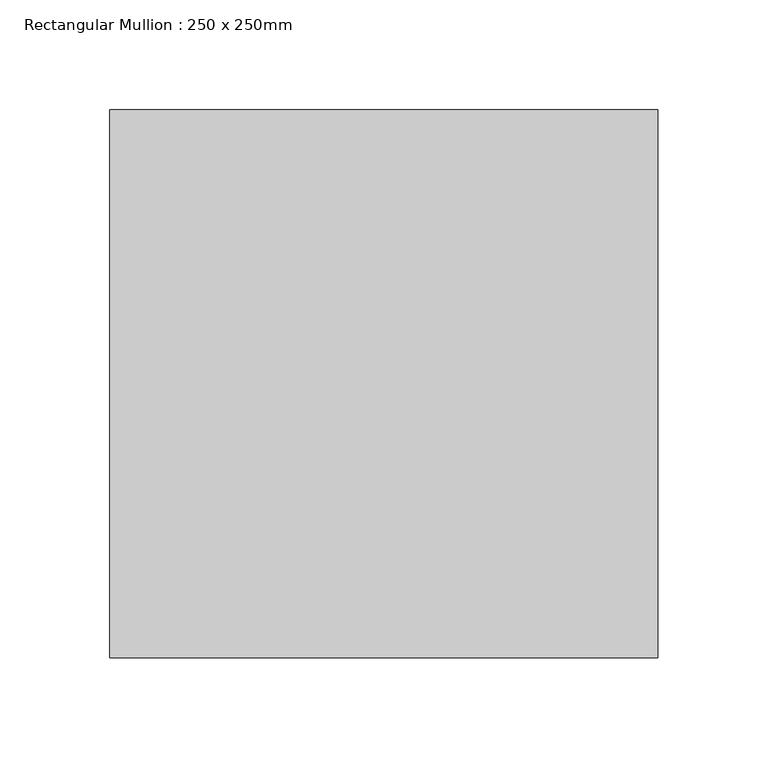
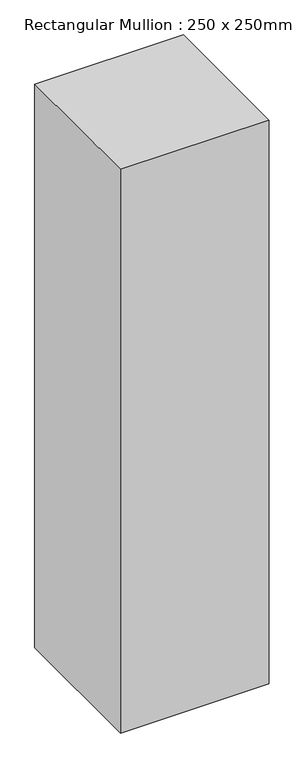
"""IFC4 building model written with IfcOpenShell, lengths in millimetres: member geometry, Rectangular Mullion : 250 x 250mm."""

import ifcopenshell
import ifcopenshell.guid

model = None  # the IFC model being written
_history = None  # IfcOwnerHistory: only IFC2X3 demands one
_inside = {}  # id of a spatial element -> (the spatial element, [elements in it])
_under = {}  # id of a project, library or spatial element -> (it, [spatial elements below it])
_declared = {}  # id of a project -> (the project, [libraries it declares])
_typed = {}  # id of a type object -> (the type object, [elements of that type])
_made_of = {}  # id of a material, layer set ... -> (it, [elements and type objects made of it])


def new_model(schema):
    """Start an empty IFC model of exactly this schema.

    Asked for "IFC4X3", IfcOpenShell would pick the latest addendum, in which some entities
    have other attributes; the version numbers below select the first issue.
    IFC2X3 requires an IfcOwnerHistory on every rooted entity: one is made here for all.
    """
    global model, _history
    if schema == "IFC4X3":
        model = ifcopenshell.file(schema_version=(4, 3, 0, 0))
    else:
        model = ifcopenshell.file(schema=schema)
    _inside.clear()
    _under.clear()
    _declared.clear()
    _typed.clear()
    _made_of.clear()
    _history = None
    if model.schema == "IFC2X3":
        org = make("IfcOrganization", Name="unknown")
        user = make(
            "IfcPersonAndOrganization",
            ThePerson=make("IfcPerson", FamilyName="unknown"),
            TheOrganization=org,
        )
        app = make(
            "IfcApplication",
            ApplicationDeveloper=org,
            Version="unknown",
            ApplicationFullName="unknown",
            ApplicationIdentifier="unknown",
        )
        _history = make(
            "IfcOwnerHistory",
            OwningUser=user,
            OwningApplication=app,
            ChangeAction="ADDED",
            CreationDate=0,
        )
    return model


def make(cls, **values):
    """One entity of the class cls with the attributes given. An attribute that is None is left unset."""
    return model.create_entity(
        cls, **{name: value for name, value in values.items() if value is not None}
    )


def rooted(cls, **values):
    """An entity with a GlobalId (a new one), such as an element, a storey or a relation."""
    return make(cls, GlobalId=ifcopenshell.guid.new(), OwnerHistory=_history, **values)


def si_unit(unit_type, name, prefix=None):
    """IfcSIUnit, for example si_unit("LENGTHUNIT", "METRE", prefix="MILLI")."""
    return make("IfcSIUnit", UnitType=unit_type, Prefix=prefix, Name=name)


def assignment(units):
    """IfcUnitAssignment: the units of a project."""
    return None if units is None else make("IfcUnitAssignment", Units=units)


def point(xyz):
    """IfcCartesianPoint."""
    return None if xyz is None else make("IfcCartesianPoint", Coordinates=xyz)


def direction(xyz):
    """IfcDirection."""
    return None if xyz is None else make("IfcDirection", DirectionRatios=xyz)


def frame(location, z_axis=None, x_axis=None):
    """IfcAxis2Placement3D, a coordinate frame: its origin and axes. An axis left out is left unset."""
    return make(
        "IfcAxis2Placement3D",
        Location=point(location),
        Axis=direction(z_axis),
        RefDirection=direction(x_axis),
    )


def origin():
    """The frame at (0, 0, 0) with its axes left unset."""
    return frame((0.0, 0.0, 0.0))


def place(relative_to, where):
    """IfcLocalPlacement: puts the frame where relative to a parent placement (None: the world)."""
    return make(
        "IfcLocalPlacement", PlacementRelTo=relative_to, RelativePlacement=where
    )


def context(
    kind, dimensions, precision=None, world=None, true_north=None, identifier=None
):
    """IfcGeometricRepresentationContext, for example the 3D "Model" context."""
    return make(
        "IfcGeometricRepresentationContext",
        ContextIdentifier=identifier,
        ContextType=kind,
        CoordinateSpaceDimension=dimensions,
        Precision=precision,
        WorldCoordinateSystem=world,
        TrueNorth=true_north,
    )


def project(units=None, contexts=None):
    """IfcProject with its units and contexts."""
    return rooted(
        "IfcProject",
        Name="project",
        RepresentationContexts=contexts,
        UnitsInContext=assignment(units),
    )


def spatial(cls, under=None, at=None, **own):
    """A site, building, storey or space (cls), placed at a placement, below another one or the project."""
    s = rooted(cls, ObjectPlacement=at, **own)
    if under is not None:
        _under.setdefault(under.id(), (under, []))[1].append(s)
    return s


def polyline(points):
    """IfcPolyline through the points."""
    return make("IfcPolyline", Points=[point(p) for p in points])


def outline(outer, holes=None, kind="AREA"):
    """IfcArbitraryClosedProfileDef: a profile drawn as a closed curve; with holes, ...WithVoids."""
    if holes is None:
        return make("IfcArbitraryClosedProfileDef", ProfileType=kind, OuterCurve=outer)
    return make(
        "IfcArbitraryProfileDefWithVoids",
        ProfileType=kind,
        OuterCurve=outer,
        InnerCurves=holes,
    )


def extrude(swept, where, along, depth):
    """IfcExtrudedAreaSolid: the profile swept, set in the frame where, extruded along a direction by depth."""
    return make(
        "IfcExtrudedAreaSolid",
        SweptArea=swept,
        Position=where,
        ExtrudedDirection=direction(along),
        Depth=depth,
    )


def shape(context_of_items, identifier, shape_type, items):
    """IfcShapeRepresentation: the items that make up one representation, for example the "Body"."""
    return make(
        "IfcShapeRepresentation",
        ContextOfItems=context_of_items,
        RepresentationIdentifier=identifier,
        RepresentationType=shape_type,
        Items=items,
    )


def source(mapping_origin, context_of_items, identifier, shape_type, items):
    """IfcRepresentationMap: a shape defined once, which mapped items show again and again."""
    return make(
        "IfcRepresentationMap",
        MappingOrigin=mapping_origin,
        MappedRepresentation=shape(context_of_items, identifier, shape_type, items),
    )


def transform(
    local_origin,
    x_axis=None,
    y_axis=None,
    z_axis=None,
    scale=None,
    scale2=None,
    scale3=None,
    uniform=True,
):
    """IfcCartesianTransformationOperator3D, or its non-uniform kind. x_axis, y_axis, z_axis: its Axis1, 2, 3."""
    if uniform:
        return make(
            "IfcCartesianTransformationOperator3D",
            Axis1=direction(x_axis),
            Axis2=direction(y_axis),
            LocalOrigin=point(local_origin),
            Scale=scale,
            Axis3=direction(z_axis),
        )
    return make(
        "IfcCartesianTransformationOperator3DnonUniform",
        Axis1=direction(x_axis),
        Axis2=direction(y_axis),
        LocalOrigin=point(local_origin),
        Scale=scale,
        Axis3=direction(z_axis),
        Scale2=scale2,
        Scale3=scale3,
    )


def mapped(mapping_source, mapping_target):
    """IfcMappedItem: shows the shape of a source again, moved by a transform."""
    return make(
        "IfcMappedItem", MappingSource=mapping_source, MappingTarget=mapping_target
    )


def made_of(thing, what):
    """Note that an element or type object is made of a material, layer set ...; save() writes the relation."""
    if what is not None:
        _made_of.setdefault(what.id(), (what, []))[1].append(thing)
    return thing


def element(
    cls,
    number,
    at=None,
    inside=None,
    cuts=None,
    type_object=None,
    material=None,
    context=None,
    identifier="Body",
    shape_type=None,
    held_by="IfcProductDefinitionShape",
    body=None,
    shapes=None,
    **own,
):
    """One element of the class cls, such as IfcWall. Its Tag is "e" and its number.

    at: its placement. inside: the storey or other place that contains it. cuts: it is an
    opening in that element (IfcRelVoidsElement). A single representation is given by context,
    identifier, shape_type and body (its items); several are given by shapes. held_by: the class
    of the entity that holds the representations. save() writes the other relations.
    """
    e = rooted(cls, Tag="e%d" % number, ObjectPlacement=at, **own)
    if body is not None:
        shapes = [shape(context, identifier, shape_type, body)]
    if shapes is not None:
        e.Representation = make(held_by, Representations=shapes)
    if inside is not None:
        _inside.setdefault(inside.id(), (inside, []))[1].append(e)
    if cuts is not None:
        rooted(
            "IfcRelVoidsElement", RelatingBuildingElement=cuts, RelatedOpeningElement=e
        )
    if type_object is not None:
        _typed.setdefault(type_object.id(), (type_object, []))[1].append(e)
    return made_of(e, material)


def aggregate(whole, parts):
    """IfcRelAggregates: a whole, such as a stair, and the parts it consists of."""
    return rooted("IfcRelAggregates", RelatingObject=whole, RelatedObjects=parts)


def save(model, path):
    """Write the relations noted so far, then the file.

    IfcRelAggregates (storeys below a building ...), IfcRelContainedInSpatialStructure (elements
    in a storey), IfcRelDefinesByType, IfcRelAssociatesMaterial and IfcRelDeclares: one each for
    every whole, place, type object, material and project.
    """
    for whole, parts in _under.values():
        aggregate(whole, parts)
    for where, things in _inside.values():
        rooted(
            "IfcRelContainedInSpatialStructure",
            RelatedElements=things,
            RelatingStructure=where,
        )
    for kind, things in _typed.values():
        rooted("IfcRelDefinesByType", RelatedObjects=things, RelatingType=kind)
    for what, things in _made_of.values():
        rooted("IfcRelAssociatesMaterial", RelatedObjects=things, RelatingMaterial=what)
    for by, libraries in _declared.values():
        rooted("IfcRelDeclares", RelatingContext=by, RelatedDefinitions=libraries)
    model.write(path)


def rectangular_mullion_250_x_250mm_21f905cf(model_context):
    return source(origin(), model_context, "Body", "SweptSolid", [
        extrude(outline(polyline([(0.0, 125.0), (0.0, -125.0), (-250.0, -125.0), (-250.0, 125.0), (0.0, 125.0)])), frame((0.0, 0.0, -1002.320167), z_axis=(0.0, 0.0, 1.0), x_axis=(1.0, 0.0, 0.0)), (0.0, 0.0, 1.0), 1002.320167),
    ])


if __name__ == "__main__":
    model = new_model("IFC4")
    model_context = context("Model", 3, world=origin())
    ifc_project = project(units=[si_unit("LENGTHUNIT", "METRE", prefix="MILLI")], contexts=[model_context])
    site = spatial("IfcSite", under=ifc_project)
    building = spatial("IfcBuilding", under=site)
    placement = place(None, origin())
    rectangular_mullion_250_x_250mm_shape = rectangular_mullion_250_x_250mm_21f905cf(model_context)
    element("IfcMember", 1, ObjectType="Rectangular Mullion : 250 x 250mm", at=placement, inside=building, context=model_context, shape_type="MappedRepresentation", body=[
        mapped(rectangular_mullion_250_x_250mm_shape, transform((0.0, 0.0, 0.0), x_axis=(1.0, 0.0, 0.0), y_axis=(0.0, 1.0, 0.0), z_axis=(0.0, 0.0, 1.0))),
    ])
    save(model, "model.ifc")
